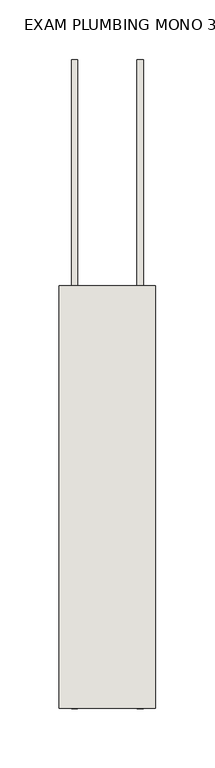
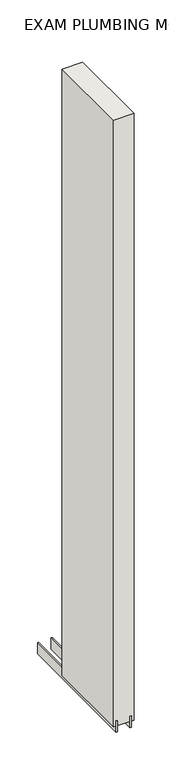
"""IFC4 building model written with IfcOpenShell, lengths in millimetres: wall geometry, EXAM PLUMBING MONO 393343 : EXAM PLUMBING MONO 393343."""

from ifc_helpers import new_model, si_unit, frame, origin, place, context, project, spatial, polyline, outline, extrude, source, transform, mapped, element, save


def exam_plumbing_mono_393343_exam_plumbing_mono_393343_5fd3e1c4(model_context):
    return source(origin(), model_context, "Body", "SweptSolid", [
        extrude(outline(polyline([(78033.282211, -44097.2537916), (78033.282211, -44099.7937916), (78030.742211, -44099.7937916), (78030.742211, -44097.2537916), (78033.282211, -44097.2537916)])), frame((0.0, 0.0, 4419.6), z_axis=(0.0, 0.0, 1.0), x_axis=(1.0, 0.0, 0.0)), (0.0, 0.0, 1.0), 2.54),
        extrude(outline(polyline([(78006.9284664, -43906.7463494), (78006.9284664, -44452.8463494), (78001.849711, -44452.8463494), (78001.849711, -43906.7463494), (78006.9284664, -43906.7463494)])), frame((0.0, 0.0, 4418.6602), z_axis=(0.0, 0.0, 1.0), x_axis=(1.0, 0.0, 0.0)), (0.0, 0.0, 1.0), 47.625),
        extrude(outline(polyline([(78006.9284664, -43906.7463494), (78006.9284664, -44452.8463494), (78001.849711, -44452.8463494), (78001.849711, -43906.7463494), (78006.9284664, -43906.7463494)])), frame((0.0, 0.0, 4418.6602), z_axis=(0.0, 0.0, 1.0), x_axis=(1.0, 0.0, 0.0)), (0.0, 0.0, 1.0), 47.625),
        extrude(outline(polyline([(78057.0959556, -44452.8463494), (78057.0959556, -43906.7463494), (78062.174711, -43906.7463494), (78062.174711, -44452.8463494), (78057.0959556, -44452.8463494)])), frame((0.0, 0.0, 4418.6602), z_axis=(0.0, 0.0, 1.0), x_axis=(1.0, 0.0, 0.0)), (0.0, 0.0, 1.0), 47.625),
        extrude(outline(polyline([(78057.0959556, -44452.8463494), (78057.0959556, -43906.7463494), (78062.174711, -43906.7463494), (78062.174711, -44452.8463494), (78057.0959556, -44452.8463494)])), frame((0.0, 0.0, 4418.6602), z_axis=(0.0, 0.0, 1.0), x_axis=(1.0, 0.0, 0.0)), (0.0, 0.0, 1.0), 47.625),
        extrude(outline(polyline([(77991.3573266, -44097.2463494), (78072.6670954, -44097.2463494), (78072.6670954, -44452.8463494), (77991.3573266, -44452.8463494), (77991.3573266, -44097.2463494)])), frame((0.0, 0.0, 4445.0), z_axis=(0.0, 0.0, 1.0), x_axis=(1.0, 0.0, 0.0)), (0.0, 0.0, 1.0), 2562.4536762),
    ])


if __name__ == "__main__":
    model = new_model("IFC4")
    model_context = context("Model", 3, world=origin())
    ifc_project = project(units=[si_unit("LENGTHUNIT", "METRE", prefix="MILLI")], contexts=[model_context])
    site = spatial("IfcSite", under=ifc_project)
    building = spatial("IfcBuilding", under=site)
    placement = place(None, origin())
    exam_plumbing_mono_393343_exam_plumbing_mono_393343_shape = exam_plumbing_mono_393343_exam_plumbing_mono_393343_5fd3e1c4(model_context)
    element("IfcWall", 1, ObjectType="EXAM PLUMBING MONO 393343 : EXAM PLUMBING MONO 393343", at=placement, inside=building, context=model_context, shape_type="MappedRepresentation", body=[
        mapped(exam_plumbing_mono_393343_exam_plumbing_mono_393343_shape, transform((0.0, 0.0, 0.0), x_axis=(1.0, 0.0, 0.0), y_axis=(0.0, 1.0, 0.0), z_axis=(0.0, 0.0, 1.0))),
    ])
    save(model, "model.ifc")
